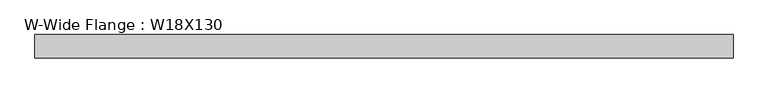
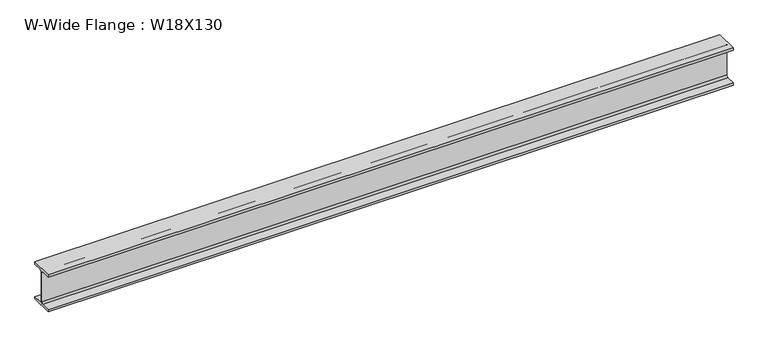
"""IFC4 building model written with IfcOpenShell, lengths in millimetres: beam geometry, W-Wide Flange : W18X130."""

from ifc_helpers import new_model, si_unit, point, frame, frame_2d, origin, place, context, project, spatial, polyline, circle_curve, trimmed, segment, composite_curve, outline, extrude, source, transform, mapped, element, save


def w_wide_flange_w18x130_bf676ad5(model_context):
    return source(origin(), model_context, "Body", "SweptSolid", [
        extrude(outline(composite_curve([segment(polyline([(142.24, -214.63), (142.24, -245.11), (-142.24, -245.11), (-142.24, -214.63), (-30.4165, -214.63)]), True, "CONTINUOUS"), segment(trimmed(circle_curve(frame_2d((-30.4165, -192.7225)), 21.9075), [point((-30.4165, -214.63))], [point((-8.509, -192.7225))], True, "CARTESIAN"), True, "CONTINUOUS"), segment(polyline([(-8.509, -192.7225), (-8.509, 192.7225)]), True, "CONTINUOUS"), segment(trimmed(circle_curve(frame_2d((-30.4165, 192.7225)), 21.9075), [point((-8.509, 192.7225))], [point((-30.4165, 214.63))], True, "CARTESIAN"), True, "CONTINUOUS"), segment(polyline([(-30.4165, 214.63), (-142.24, 214.63), (-142.24, 245.11), (142.24, 245.11), (142.24, 214.63), (30.4165, 214.63)]), True, "CONTINUOUS"), segment(trimmed(circle_curve(frame_2d((30.4165, 192.7225)), 21.9075), [point((30.4165, 214.63))], [point((8.509, 192.7225))], True, "CARTESIAN"), True, "CONTINUOUS"), segment(polyline([(8.509, 192.7225), (8.509, -192.7225)]), True, "CONTINUOUS"), segment(trimmed(circle_curve(frame_2d((30.4165, -192.7225)), 21.9075), [point((8.509, -192.7225))], [point((30.4165, -214.63))], True, "CARTESIAN"), True, "CONTINUOUS"), segment(polyline([(30.4165, -214.63), (142.24, -214.63)]), True, "CONTINUOUS")], self_intersect=False)), frame((-4305.3, 0.0, 0.0), z_axis=(1.0, 0.0, 0.0), x_axis=(0.0, 1.0, 0.0)), (0.0, 0.0, 1.0), 8559.8),
    ])


if __name__ == "__main__":
    model = new_model("IFC4")
    model_context = context("Model", 3, world=origin())
    ifc_project = project(units=[si_unit("LENGTHUNIT", "METRE", prefix="MILLI")], contexts=[model_context])
    site = spatial("IfcSite", under=ifc_project)
    building = spatial("IfcBuilding", under=site)
    placement = place(None, origin())
    w_wide_flange_w18x130_shape = w_wide_flange_w18x130_bf676ad5(model_context)
    element("IfcBeam", 1, ObjectType="W-Wide Flange : W18X130", at=placement, inside=building, context=model_context, shape_type="MappedRepresentation", body=[
        mapped(w_wide_flange_w18x130_shape, transform((0.0, 0.0, 0.0), x_axis=(1.0, 0.0, 0.0), y_axis=(0.0, 1.0, 0.0), z_axis=(0.0, 0.0, 1.0))),
    ])
    save(model, "model.ifc")
